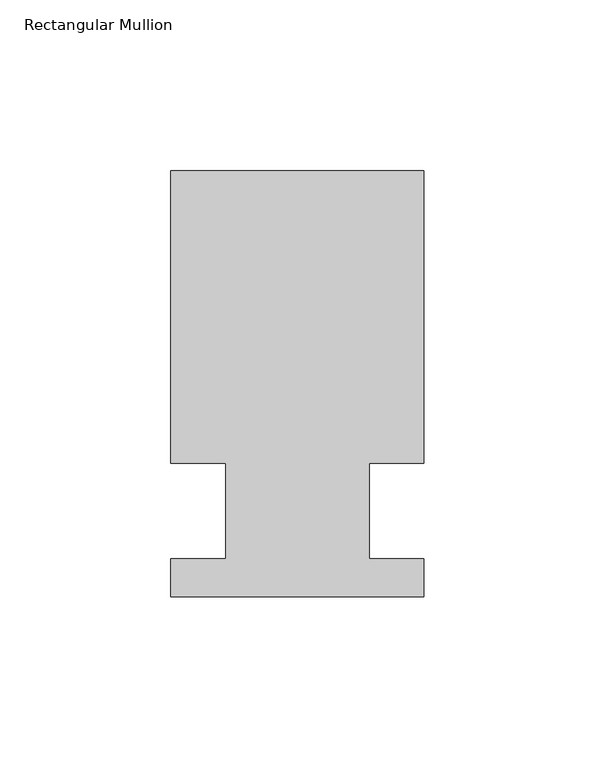
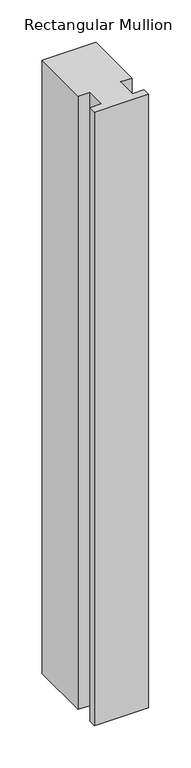
"""IFC4 building model written with IfcOpenShell, lengths in millimetres: member geometry, Rectangular Mullion."""

from ifc_helpers import new_model, si_unit, frame, origin, place, context, project, spatial, polyline, outline, extrude, source, transform, mapped, element, save


def rectangular_mullion_ceb20189(model_context):
    return source(origin(), model_context, "Body", "SweptSolid", [
        extrude(outline(polyline([(-20.9800745, 13.9998907), (-37.0, 13.9998907), (-37.0, 99.5), (37.0, 99.5), (37.0, 13.9998907), (20.9800745, 13.9998907), (20.9800745, -14.0), (36.9800745, -14.0), (36.9800745, -25.0), (-37.0, -25.0), (-37.0, -14.0), (-20.9800745, -14.0), (-20.9800745, 13.9998907)])), frame((0.0, 0.0, -886.4904905), z_axis=(0.0, 0.0, 1.0), x_axis=(1.0, 0.0, 0.0)), (0.0, 0.0, 1.0), 886.4904905),
    ])


if __name__ == "__main__":
    model = new_model("IFC4")
    model_context = context("Model", 3, world=origin())
    ifc_project = project(units=[si_unit("LENGTHUNIT", "METRE", prefix="MILLI")], contexts=[model_context])
    site = spatial("IfcSite", under=ifc_project)
    building = spatial("IfcBuilding", under=site)
    placement = place(None, origin())
    rectangular_mullion_shape = rectangular_mullion_ceb20189(model_context)
    element("IfcMember", 1, ObjectType="Rectangular Mullion", at=placement, inside=building, context=model_context, shape_type="MappedRepresentation", body=[
        mapped(rectangular_mullion_shape, transform((0.0, 0.0, 0.0), x_axis=(1.0, 0.0, 0.0), y_axis=(0.0, 1.0, 0.0), z_axis=(0.0, 0.0, 1.0))),
    ])
    save(model, "model.ifc")
